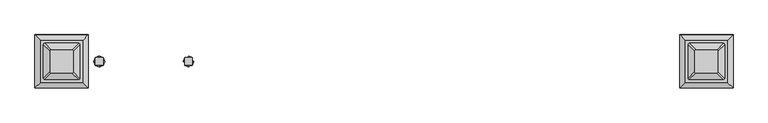
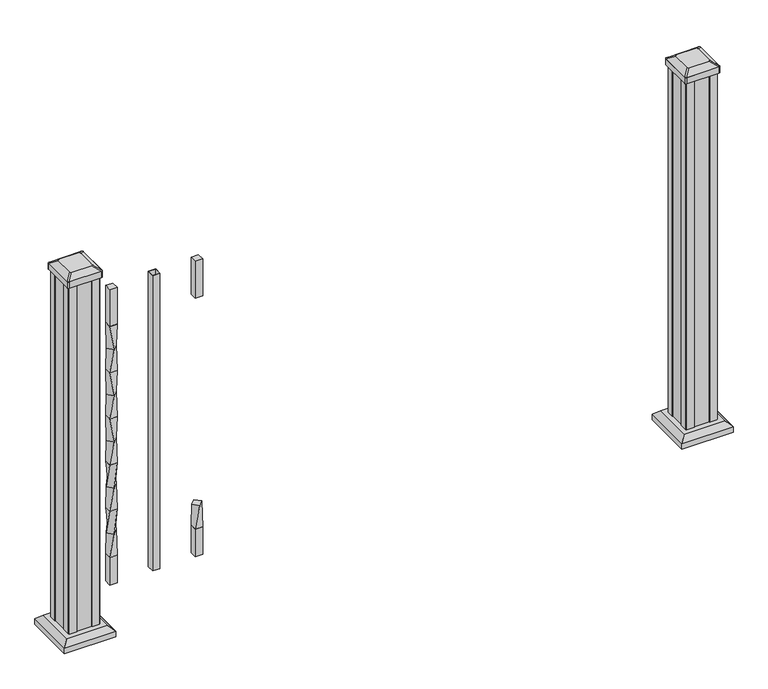
"""IFC4 building model written with IfcOpenShell, lengths in millimetres: railing geometry."""

from ifc_helpers import new_model, si_unit, point, frame, frame_2d, origin, origin_with_axes, place, context, project, spatial, polyline, circle_curve, trimmed, segment, composite_curve, outline, extrude, faceted_brep, source, transform, mapped, element, save
from ifc_brep_helpers import plane_surface, extruded_surface, spline_surface, advanced_brep


def railing_c5b9b82a(model_context):
    return source(origin(), model_context, "Body", "SolidModel", [
        advanced_brep(
        [(14406.6340044, -60563.4367982, 241.2958781), (14420.1043886, -60549.966414, 241.2958781), (14406.6340044, -60536.4960298, 241.2958781), (14393.1636203, -60549.966414, 241.2958781), (14397.1090044, -60559.491414, 177.7958781), (14397.1090044, -60540.441414, 177.7958781), (14416.1590044, -60540.441414, 177.7958781), (14416.1590044, -60559.491414, 177.7958781)],
        [
            (0, 1),
            (1, 2),
            (2, 3),
            (3, 0),
            (4, 5),
            (5, 6),
            (6, 7),
            (7, 4),
            (4, 0),
            (3, 5),
            (2, 6),
            (1, 7),
        ],
        [
            plane_surface(frame((14406.6340044, -60549.966414, 241.2958781), z_axis=(0.0, 0.0, 1.0), x_axis=(-0.7071067811865478, 0.7071067811865474, 0.0))),
            plane_surface(frame((14406.6340044, -60549.966414, 177.7958781), z_axis=(0.0, 0.0, -1.0), x_axis=(-0.7071067811865478, 0.7071067811865474, 0.0))),
            spline_surface(1, 1, [[(14397.1090044, -60559.491414, 177.7958781), (14397.1090044, -60540.441414, 177.7958781)], [(14406.6340044, -60563.4367982, 241.2958781), (14393.1636203, -60549.966414, 241.2958781)]], [2, 2], [2, 2], [0.0, 1.0], [0.0, 1.0]),
            spline_surface(1, 1, [[(14397.1090044, -60540.441414, 177.7958781), (14416.1590044, -60540.441414, 177.7958781)], [(14393.1636203, -60549.966414, 241.2958781), (14406.6340044, -60536.4960298, 241.2958781)]], [2, 2], [2, 2], [0.0, 1.0], [0.0, 1.0]),
            spline_surface(1, 1, [[(14416.1590044, -60540.441414, 177.7958781), (14416.1590044, -60559.491414, 177.7958781)], [(14406.6340044, -60536.4960298, 241.2958781), (14420.1043886, -60549.966414, 241.2958781)]], [2, 2], [2, 2], [0.0, 1.0], [0.0, 1.0]),
            spline_surface(1, 1, [[(14416.1590044, -60559.491414, 177.7958781), (14397.1090044, -60559.491414, 177.7958781)], [(14420.1043886, -60549.966414, 241.2958781), (14406.6340044, -60563.4367982, 241.2958781)]], [2, 2], [2, 2], [0.0, 1.0], [0.0, 1.0]),
        ],
        [
            (0, [[1, 2, 3, 4]]),
            (1, [[5, 6, 7, 8]]),
            (2, [[9, -4, 10, -5]]),
            (3, [[-10, -3, 11, -6]]),
            (4, [[-11, -2, 12, -7]]),
            (5, [[-12, -1, -9, -8]]),
        ],
    ),
        extrude(outline(polyline([(14397.1090044, -60559.491414), (14397.1090044, -60540.441414), (14416.1590044, -60540.441414), (14416.1590044, -60559.491414), (14397.1090044, -60559.491414)])), frame((0.0, 0.0, 812.7958781), z_axis=(0.0, 0.0, 1.0), x_axis=(1.0, 0.0, 0.0)), (0.0, 0.0, 1.0), 101.6041219),
        extrude(outline(polyline([(14397.1090044, -60559.491414), (14397.1090044, -60540.441414), (14416.1590044, -60540.441414), (14416.1590044, -60559.491414), (14397.1090044, -60559.491414)])), frame((0.0, 0.0, 101.5958781), z_axis=(0.0, 0.0, 1.0), x_axis=(1.0, 0.0, 0.0)), (0.0, 0.0, 1.0), 76.2),
        extrude(outline(polyline([(14285.8570044, -60559.491414), (14285.8570044, -60540.441414), (14304.9070044, -60540.441414), (14304.9070044, -60559.491414), (14285.8570044, -60559.491414)]), holes=[polyline([(14286.2538794, -60559.094539), (14304.5101294, -60559.094539), (14304.5101294, -60540.838289), (14286.2538794, -60540.838289), (14286.2538794, -60559.094539)])]), frame((0.0, 0.0, 101.5958781), z_axis=(0.0, 0.0, 1.0), x_axis=(1.0, 0.0, 0.0)), (0.0, 0.0, 1.0), 812.8041219),
        advanced_brep(
        [(14193.6550044, -60559.491414, 812.7958781), (14193.6550044, -60540.441414, 812.7958781), (14174.6050044, -60540.441414, 812.7958781), (14174.6050044, -60559.491414, 812.7958781), (14197.6003886, -60549.966414, 749.2958781), (14184.1300044, -60563.4367982, 749.2958781), (14170.6596203, -60549.966414, 749.2958781), (14184.1300044, -60536.4960298, 749.2958781)],
        [
            (0, 1),
            (1, 2),
            (2, 3),
            (3, 0),
            (4, 5),
            (5, 6),
            (6, 7),
            (7, 4),
            (4, 0),
            (3, 5),
            (2, 6),
            (1, 7),
        ],
        [
            plane_surface(frame((14184.1300044, -60549.966414, 812.7958781), z_axis=(0.0, 0.0, 1.0), x_axis=(0.0, 1.0, 0.0))),
            plane_surface(frame((14184.1300044, -60549.966414, 749.2958781), z_axis=(0.0, 0.0, -1.0), x_axis=(0.0, 1.0, 0.0))),
            spline_surface(1, 1, [[(14197.6003886, -60549.966414, 749.2958781), (14184.1300044, -60563.4367982, 749.2958781)], [(14193.6550044, -60559.491414, 812.7958781), (14174.6050044, -60559.491414, 812.7958781)]], [2, 2], [2, 2], [0.0, 1.0], [0.0, 1.0]),
            spline_surface(1, 1, [[(14184.1300044, -60563.4367982, 749.2958781), (14170.6596203, -60549.966414, 749.2958781)], [(14174.6050044, -60559.491414, 812.7958781), (14174.6050044, -60540.441414, 812.7958781)]], [2, 2], [2, 2], [0.0, 1.0], [0.0, 1.0]),
            spline_surface(1, 1, [[(14170.6596203, -60549.966414, 749.2958781), (14184.1300044, -60536.4960298, 749.2958781)], [(14174.6050044, -60540.441414, 812.7958781), (14193.6550044, -60540.441414, 812.7958781)]], [2, 2], [2, 2], [0.0, 1.0], [0.0, 1.0]),
            spline_surface(1, 1, [[(14184.1300044, -60536.4960298, 749.2958781), (14197.6003886, -60549.966414, 749.2958781)], [(14193.6550044, -60540.441414, 812.7958781), (14193.6550044, -60559.491414, 812.7958781)]], [2, 2], [2, 2], [0.0, 1.0], [0.0, 1.0]),
        ],
        [
            (0, [[1, 2, 3, 4]]),
            (1, [[5, 6, 7, 8]]),
            (2, [[9, -4, 10, -5]]),
            (3, [[-10, -3, 11, -6]]),
            (4, [[-11, -2, 12, -7]]),
            (5, [[-12, -1, -9, -8]]),
        ],
    ),
        advanced_brep(
        [(14184.1300044, -60563.4367982, 749.2958781), (14197.6003886, -60549.966414, 749.2958781), (14184.1300044, -60536.4960298, 749.2958781), (14170.6596203, -60549.966414, 749.2958781), (14174.6050044, -60559.491414, 685.7958781), (14174.6050044, -60540.441414, 685.7958781), (14193.6550044, -60540.441414, 685.7958781), (14193.6550044, -60559.491414, 685.7958781)],
        [
            (0, 1),
            (1, 2),
            (2, 3),
            (3, 0),
            (4, 5),
            (5, 6),
            (6, 7),
            (7, 4),
            (4, 0),
            (3, 5),
            (2, 6),
            (1, 7),
        ],
        [
            plane_surface(frame((14184.1300044, -60549.966414, 749.2958781), z_axis=(0.0, 0.0, 1.0), x_axis=(-0.7071067811865477, -0.7071067811865474, 0.0))),
            plane_surface(frame((14184.1300044, -60549.966414, 685.7958781), z_axis=(0.0, 0.0, -1.0), x_axis=(-0.7071067811865477, -0.7071067811865474, 0.0))),
            spline_surface(1, 1, [[(14174.6050044, -60559.491414, 685.7958781), (14174.6050044, -60540.441414, 685.7958781)], [(14184.1300044, -60563.4367982, 749.2958781), (14170.6596203, -60549.966414, 749.2958781)]], [2, 2], [2, 2], [0.0, 1.0], [0.0, 1.0]),
            spline_surface(1, 1, [[(14174.6050044, -60540.441414, 685.7958781), (14193.6550044, -60540.441414, 685.7958781)], [(14170.6596203, -60549.966414, 749.2958781), (14184.1300044, -60536.4960298, 749.2958781)]], [2, 2], [2, 2], [0.0, 1.0], [0.0, 1.0]),
            spline_surface(1, 1, [[(14193.6550044, -60540.441414, 685.7958781), (14193.6550044, -60559.491414, 685.7958781)], [(14184.1300044, -60536.4960298, 749.2958781), (14197.6003886, -60549.966414, 749.2958781)]], [2, 2], [2, 2], [0.0, 1.0], [0.0, 1.0]),
            spline_surface(1, 1, [[(14193.6550044, -60559.491414, 685.7958781), (14174.6050044, -60559.491414, 685.7958781)], [(14197.6003886, -60549.966414, 749.2958781), (14184.1300044, -60563.4367982, 749.2958781)]], [2, 2], [2, 2], [0.0, 1.0], [0.0, 1.0]),
        ],
        [
            (0, [[1, 2, 3, 4]]),
            (1, [[5, 6, 7, 8]]),
            (2, [[9, -4, 10, -5]]),
            (3, [[-10, -3, 11, -6]]),
            (4, [[-11, -2, 12, -7]]),
            (5, [[-12, -1, -9, -8]]),
        ],
    ),
        advanced_brep(
        [(14193.6550044, -60559.491414, 685.7958781), (14193.6550044, -60540.441414, 685.7958781), (14174.6050044, -60540.441414, 685.7958781), (14174.6050044, -60559.491414, 685.7958781), (14197.6003886, -60549.966414, 622.2958781), (14184.1300044, -60563.4367982, 622.2958781), (14170.6596203, -60549.966414, 622.2958781), (14184.1300044, -60536.4960298, 622.2958781)],
        [
            (0, 1),
            (1, 2),
            (2, 3),
            (3, 0),
            (4, 5),
            (5, 6),
            (6, 7),
            (7, 4),
            (4, 0),
            (3, 5),
            (2, 6),
            (1, 7),
        ],
        [
            plane_surface(frame((14184.1300044, -60549.966414, 685.7958781), z_axis=(0.0, 0.0, 1.0), x_axis=(0.0, 1.0, 0.0))),
            plane_surface(frame((14184.1300044, -60549.966414, 622.2958781), z_axis=(0.0, 0.0, -1.0), x_axis=(0.0, 1.0, 0.0))),
            spline_surface(1, 1, [[(14197.6003886, -60549.966414, 622.2958781), (14184.1300044, -60563.4367982, 622.2958781)], [(14193.6550044, -60559.491414, 685.7958781), (14174.6050044, -60559.491414, 685.7958781)]], [2, 2], [2, 2], [0.0, 1.0], [0.0, 1.0]),
            spline_surface(1, 1, [[(14184.1300044, -60563.4367982, 622.2958781), (14170.6596203, -60549.966414, 622.2958781)], [(14174.6050044, -60559.491414, 685.7958781), (14174.6050044, -60540.441414, 685.7958781)]], [2, 2], [2, 2], [0.0, 1.0], [0.0, 1.0]),
            spline_surface(1, 1, [[(14170.6596203, -60549.966414, 622.2958781), (14184.1300044, -60536.4960298, 622.2958781)], [(14174.6050044, -60540.441414, 685.7958781), (14193.6550044, -60540.441414, 685.7958781)]], [2, 2], [2, 2], [0.0, 1.0], [0.0, 1.0]),
            spline_surface(1, 1, [[(14184.1300044, -60536.4960298, 622.2958781), (14197.6003886, -60549.966414, 622.2958781)], [(14193.6550044, -60540.441414, 685.7958781), (14193.6550044, -60559.491414, 685.7958781)]], [2, 2], [2, 2], [0.0, 1.0], [0.0, 1.0]),
        ],
        [
            (0, [[1, 2, 3, 4]]),
            (1, [[5, 6, 7, 8]]),
            (2, [[9, -4, 10, -5]]),
            (3, [[-10, -3, 11, -6]]),
            (4, [[-11, -2, 12, -7]]),
            (5, [[-12, -1, -9, -8]]),
        ],
    ),
        advanced_brep(
        [(14184.1300044, -60563.4367982, 622.2958781), (14197.6003886, -60549.966414, 622.2958781), (14184.1300044, -60536.4960298, 622.2958781), (14170.6596203, -60549.966414, 622.2958781), (14174.6050044, -60559.491414, 558.7958781), (14174.6050044, -60540.441414, 558.7958781), (14193.6550044, -60540.441414, 558.7958781), (14193.6550044, -60559.491414, 558.7958781)],
        [
            (0, 1),
            (1, 2),
            (2, 3),
            (3, 0),
            (4, 5),
            (5, 6),
            (6, 7),
            (7, 4),
            (4, 0),
            (3, 5),
            (2, 6),
            (1, 7),
        ],
        [
            plane_surface(frame((14184.1300044, -60549.966414, 622.2958781), z_axis=(0.0, 0.0, 1.0), x_axis=(-0.7071067811865477, -0.7071067811865475, 0.0))),
            plane_surface(frame((14184.1300044, -60549.966414, 558.7958781), z_axis=(0.0, 0.0, -1.0), x_axis=(-0.7071067811865477, -0.7071067811865475, 0.0))),
            spline_surface(1, 1, [[(14174.6050044, -60559.491414, 558.7958781), (14174.6050044, -60540.441414, 558.7958781)], [(14184.1300044, -60563.4367982, 622.2958781), (14170.6596203, -60549.966414, 622.2958781)]], [2, 2], [2, 2], [0.0, 1.0], [0.0, 1.0]),
            spline_surface(1, 1, [[(14174.6050044, -60540.441414, 558.7958781), (14193.6550044, -60540.441414, 558.7958781)], [(14170.6596203, -60549.966414, 622.2958781), (14184.1300044, -60536.4960298, 622.2958781)]], [2, 2], [2, 2], [0.0, 1.0], [0.0, 1.0]),
            spline_surface(1, 1, [[(14193.6550044, -60540.441414, 558.7958781), (14193.6550044, -60559.491414, 558.7958781)], [(14184.1300044, -60536.4960298, 622.2958781), (14197.6003886, -60549.966414, 622.2958781)]], [2, 2], [2, 2], [0.0, 1.0], [0.0, 1.0]),
            spline_surface(1, 1, [[(14193.6550044, -60559.491414, 558.7958781), (14174.6050044, -60559.491414, 558.7958781)], [(14197.6003886, -60549.966414, 622.2958781), (14184.1300044, -60563.4367982, 622.2958781)]], [2, 2], [2, 2], [0.0, 1.0], [0.0, 1.0]),
        ],
        [
            (0, [[1, 2, 3, 4]]),
            (1, [[5, 6, 7, 8]]),
            (2, [[9, -4, 10, -5]]),
            (3, [[-10, -3, 11, -6]]),
            (4, [[-11, -2, 12, -7]]),
            (5, [[-12, -1, -9, -8]]),
        ],
    ),
        advanced_brep(
        [(14193.6550044, -60559.491414, 558.7958781), (14193.6550044, -60540.441414, 558.7958781), (14174.6050044, -60540.441414, 558.7958781), (14174.6050044, -60559.491414, 558.7958781), (14197.6003886, -60549.966414, 495.2958781), (14184.1300044, -60563.4367982, 495.2958781), (14170.6596203, -60549.966414, 495.2958781), (14184.1300044, -60536.4960298, 495.2958781)],
        [
            (0, 1),
            (1, 2),
            (2, 3),
            (3, 0),
            (4, 5),
            (5, 6),
            (6, 7),
            (7, 4),
            (4, 0),
            (3, 5),
            (2, 6),
            (1, 7),
        ],
        [
            plane_surface(frame((14184.1300044, -60549.966414, 558.7958781), z_axis=(0.0, 0.0, 1.0), x_axis=(0.0, 1.0, 0.0))),
            plane_surface(frame((14184.1300044, -60549.966414, 495.2958781), z_axis=(0.0, 0.0, -1.0), x_axis=(0.0, 1.0, 0.0))),
            spline_surface(1, 1, [[(14197.6003886, -60549.966414, 495.2958781), (14184.1300044, -60563.4367982, 495.2958781)], [(14193.6550044, -60559.491414, 558.7958781), (14174.6050044, -60559.491414, 558.7958781)]], [2, 2], [2, 2], [0.0, 1.0], [0.0, 1.0]),
            spline_surface(1, 1, [[(14184.1300044, -60563.4367982, 495.2958781), (14170.6596203, -60549.966414, 495.2958781)], [(14174.6050044, -60559.491414, 558.7958781), (14174.6050044, -60540.441414, 558.7958781)]], [2, 2], [2, 2], [0.0, 1.0], [0.0, 1.0]),
            spline_surface(1, 1, [[(14170.6596203, -60549.966414, 495.2958781), (14184.1300044, -60536.4960298, 495.2958781)], [(14174.6050044, -60540.441414, 558.7958781), (14193.6550044, -60540.441414, 558.7958781)]], [2, 2], [2, 2], [0.0, 1.0], [0.0, 1.0]),
            spline_surface(1, 1, [[(14184.1300044, -60536.4960298, 495.2958781), (14197.6003886, -60549.966414, 495.2958781)], [(14193.6550044, -60540.441414, 558.7958781), (14193.6550044, -60559.491414, 558.7958781)]], [2, 2], [2, 2], [0.0, 1.0], [0.0, 1.0]),
        ],
        [
            (0, [[1, 2, 3, 4]]),
            (1, [[5, 6, 7, 8]]),
            (2, [[9, -4, 10, -5]]),
            (3, [[-10, -3, 11, -6]]),
            (4, [[-11, -2, 12, -7]]),
            (5, [[-12, -1, -9, -8]]),
        ],
    ),
        advanced_brep(
        [(14184.1300044, -60563.4367982, 495.2958781), (14197.6003886, -60549.966414, 495.2958781), (14184.1300044, -60536.4960298, 495.2958781), (14170.6596203, -60549.966414, 495.2958781), (14174.6050044, -60559.491414, 431.7958781), (14174.6050044, -60540.441414, 431.7958781), (14193.6550044, -60540.441414, 431.7958781), (14193.6550044, -60559.491414, 431.7958781)],
        [
            (0, 1),
            (1, 2),
            (2, 3),
            (3, 0),
            (4, 5),
            (5, 6),
            (6, 7),
            (7, 4),
            (4, 0),
            (3, 5),
            (2, 6),
            (1, 7),
        ],
        [
            plane_surface(frame((14184.1300044, -60549.966414, 495.2958781), z_axis=(0.0, 0.0, 1.0), x_axis=(-0.7071067811865477, -0.7071067811865474, 0.0))),
            plane_surface(frame((14184.1300044, -60549.966414, 431.7958781), z_axis=(0.0, 0.0, -1.0), x_axis=(-0.7071067811865477, -0.7071067811865474, 0.0))),
            spline_surface(1, 1, [[(14174.6050044, -60559.491414, 431.7958781), (14174.6050044, -60540.441414, 431.7958781)], [(14184.1300044, -60563.4367982, 495.2958781), (14170.6596203, -60549.966414, 495.2958781)]], [2, 2], [2, 2], [0.0, 1.0], [0.0, 1.0]),
            spline_surface(1, 1, [[(14174.6050044, -60540.441414, 431.7958781), (14193.6550044, -60540.441414, 431.7958781)], [(14170.6596203, -60549.966414, 495.2958781), (14184.1300044, -60536.4960298, 495.2958781)]], [2, 2], [2, 2], [0.0, 1.0], [0.0, 1.0]),
            spline_surface(1, 1, [[(14193.6550044, -60540.441414, 431.7958781), (14193.6550044, -60559.491414, 431.7958781)], [(14184.1300044, -60536.4960298, 495.2958781), (14197.6003886, -60549.966414, 495.2958781)]], [2, 2], [2, 2], [0.0, 1.0], [0.0, 1.0]),
            spline_surface(1, 1, [[(14193.6550044, -60559.491414, 431.7958781), (14174.6050044, -60559.491414, 431.7958781)], [(14197.6003886, -60549.966414, 495.2958781), (14184.1300044, -60563.4367982, 495.2958781)]], [2, 2], [2, 2], [0.0, 1.0], [0.0, 1.0]),
        ],
        [
            (0, [[1, 2, 3, 4]]),
            (1, [[5, 6, 7, 8]]),
            (2, [[9, -4, 10, -5]]),
            (3, [[-10, -3, 11, -6]]),
            (4, [[-11, -2, 12, -7]]),
            (5, [[-12, -1, -9, -8]]),
        ],
    ),
        advanced_brep(
        [(14174.6050044, -60559.491414, 431.7958781), (14193.6550044, -60559.491414, 431.7958781), (14193.6550044, -60540.441414, 431.7958781), (14174.6050044, -60540.441414, 431.7958781), (14170.6596203, -60549.966414, 368.2958781), (14184.1300044, -60536.4960298, 368.2958781), (14197.6003886, -60549.966414, 368.2958781), (14184.1300044, -60563.4367982, 368.2958781)],
        [
            (0, 1),
            (1, 2),
            (2, 3),
            (3, 0),
            (4, 5),
            (5, 6),
            (6, 7),
            (7, 4),
            (4, 0),
            (3, 5),
            (2, 6),
            (1, 7),
        ],
        [
            plane_surface(frame((14184.1300044, -60549.966414, 431.7958781), z_axis=(0.0, 0.0, 1.0), x_axis=(0.0, 1.0, 0.0))),
            plane_surface(frame((14184.1300044, -60549.966414, 368.2958781), z_axis=(0.0, 0.0, -1.0), x_axis=(0.0, 1.0, 0.0))),
            spline_surface(1, 1, [[(14170.6596203, -60549.966414, 368.2958781), (14184.1300044, -60536.4960298, 368.2958781)], [(14174.6050044, -60559.491414, 431.7958781), (14174.6050044, -60540.441414, 431.7958781)]], [2, 2], [2, 2], [0.0, 1.0], [0.0, 1.0]),
            spline_surface(1, 1, [[(14184.1300044, -60536.4960298, 368.2958781), (14197.6003886, -60549.966414, 368.2958781)], [(14174.6050044, -60540.441414, 431.7958781), (14193.6550044, -60540.441414, 431.7958781)]], [2, 2], [2, 2], [0.0, 1.0], [0.0, 1.0]),
            spline_surface(1, 1, [[(14197.6003886, -60549.966414, 368.2958781), (14184.1300044, -60563.4367982, 368.2958781)], [(14193.6550044, -60540.441414, 431.7958781), (14193.6550044, -60559.491414, 431.7958781)]], [2, 2], [2, 2], [0.0, 1.0], [0.0, 1.0]),
            spline_surface(1, 1, [[(14184.1300044, -60563.4367982, 368.2958781), (14170.6596203, -60549.966414, 368.2958781)], [(14193.6550044, -60559.491414, 431.7958781), (14174.6050044, -60559.491414, 431.7958781)]], [2, 2], [2, 2], [0.0, 1.0], [0.0, 1.0]),
        ],
        [
            (0, [[1, 2, 3, 4]]),
            (1, [[5, 6, 7, 8]]),
            (2, [[9, -4, 10, -5]]),
            (3, [[-10, -3, 11, -6]]),
            (4, [[-11, -2, 12, -7]]),
            (5, [[-12, -1, -9, -8]]),
        ],
    ),
        advanced_brep(
        [(14184.1300044, -60563.4367982, 368.2958781), (14197.6003886, -60549.966414, 368.2958781), (14184.1300044, -60536.4960298, 368.2958781), (14170.6596203, -60549.966414, 368.2958781), (14174.6050044, -60559.491414, 304.7958781), (14174.6050044, -60540.441414, 304.7958781), (14193.6550044, -60540.441414, 304.7958781), (14193.6550044, -60559.491414, 304.7958781)],
        [
            (0, 1),
            (1, 2),
            (2, 3),
            (3, 0),
            (4, 5),
            (5, 6),
            (6, 7),
            (7, 4),
            (4, 0),
            (3, 5),
            (2, 6),
            (1, 7),
        ],
        [
            plane_surface(frame((14184.1300044, -60549.966414, 368.2958781), z_axis=(0.0, 0.0, 1.0), x_axis=(-0.7071067811865477, -0.7071067811865475, 0.0))),
            plane_surface(frame((14184.1300044, -60549.966414, 304.7958781), z_axis=(0.0, 0.0, -1.0), x_axis=(-0.7071067811865477, -0.7071067811865475, 0.0))),
            spline_surface(1, 1, [[(14174.6050044, -60559.491414, 304.7958781), (14174.6050044, -60540.441414, 304.7958781)], [(14184.1300044, -60563.4367982, 368.2958781), (14170.6596203, -60549.966414, 368.2958781)]], [2, 2], [2, 2], [0.0, 1.0], [0.0, 1.0]),
            spline_surface(1, 1, [[(14174.6050044, -60540.441414, 304.7958781), (14193.6550044, -60540.441414, 304.7958781)], [(14170.6596203, -60549.966414, 368.2958781), (14184.1300044, -60536.4960298, 368.2958781)]], [2, 2], [2, 2], [0.0, 1.0], [0.0, 1.0]),
            spline_surface(1, 1, [[(14193.6550044, -60540.441414, 304.7958781), (14193.6550044, -60559.491414, 304.7958781)], [(14184.1300044, -60536.4960298, 368.2958781), (14197.6003886, -60549.966414, 368.2958781)]], [2, 2], [2, 2], [0.0, 1.0], [0.0, 1.0]),
            spline_surface(1, 1, [[(14193.6550044, -60559.491414, 304.7958781), (14174.6050044, -60559.491414, 304.7958781)], [(14197.6003886, -60549.966414, 368.2958781), (14184.1300044, -60563.4367982, 368.2958781)]], [2, 2], [2, 2], [0.0, 1.0], [0.0, 1.0]),
        ],
        [
            (0, [[1, 2, 3, 4]]),
            (1, [[5, 6, 7, 8]]),
            (2, [[9, -4, 10, -5]]),
            (3, [[-10, -3, 11, -6]]),
            (4, [[-11, -2, 12, -7]]),
            (5, [[-12, -1, -9, -8]]),
        ],
    ),
        advanced_brep(
        [(14174.6050044, -60559.491414, 304.7958781), (14193.6550044, -60559.491414, 304.7958781), (14193.6550044, -60540.441414, 304.7958781), (14174.6050044, -60540.441414, 304.7958781), (14170.6596203, -60549.966414, 241.2958781), (14184.1300044, -60536.4960298, 241.2958781), (14197.6003886, -60549.966414, 241.2958781), (14184.1300044, -60563.4367982, 241.2958781)],
        [
            (0, 1),
            (1, 2),
            (2, 3),
            (3, 0),
            (4, 5),
            (5, 6),
            (6, 7),
            (7, 4),
            (4, 0),
            (3, 5),
            (2, 6),
            (1, 7),
        ],
        [
            plane_surface(frame((14184.1300044, -60549.966414, 304.7958781), z_axis=(0.0, 0.0, 1.0), x_axis=(0.0, 1.0, 0.0))),
            plane_surface(frame((14184.1300044, -60549.966414, 241.2958781), z_axis=(0.0, 0.0, -1.0), x_axis=(0.0, 1.0, 0.0))),
            spline_surface(1, 1, [[(14170.6596203, -60549.966414, 241.2958781), (14184.1300044, -60536.4960298, 241.2958781)], [(14174.6050044, -60559.491414, 304.7958781), (14174.6050044, -60540.441414, 304.7958781)]], [2, 2], [2, 2], [0.0, 1.0], [0.0, 1.0]),
            spline_surface(1, 1, [[(14184.1300044, -60536.4960298, 241.2958781), (14197.6003886, -60549.966414, 241.2958781)], [(14174.6050044, -60540.441414, 304.7958781), (14193.6550044, -60540.441414, 304.7958781)]], [2, 2], [2, 2], [0.0, 1.0], [0.0, 1.0]),
            spline_surface(1, 1, [[(14197.6003886, -60549.966414, 241.2958781), (14184.1300044, -60563.4367982, 241.2958781)], [(14193.6550044, -60540.441414, 304.7958781), (14193.6550044, -60559.491414, 304.7958781)]], [2, 2], [2, 2], [0.0, 1.0], [0.0, 1.0]),
            spline_surface(1, 1, [[(14184.1300044, -60563.4367982, 241.2958781), (14170.6596203, -60549.966414, 241.2958781)], [(14193.6550044, -60559.491414, 304.7958781), (14174.6050044, -60559.491414, 304.7958781)]], [2, 2], [2, 2], [0.0, 1.0], [0.0, 1.0]),
        ],
        [
            (0, [[1, 2, 3, 4]]),
            (1, [[5, 6, 7, 8]]),
            (2, [[9, -4, 10, -5]]),
            (3, [[-10, -3, 11, -6]]),
            (4, [[-11, -2, 12, -7]]),
            (5, [[-12, -1, -9, -8]]),
        ],
    ),
        advanced_brep(
        [(14184.1300044, -60563.4367982, 241.2958781), (14197.6003886, -60549.966414, 241.2958781), (14184.1300044, -60536.4960298, 241.2958781), (14170.6596203, -60549.966414, 241.2958781), (14174.6050044, -60559.491414, 177.7958781), (14174.6050044, -60540.441414, 177.7958781), (14193.6550044, -60540.441414, 177.7958781), (14193.6550044, -60559.491414, 177.7958781)],
        [
            (0, 1),
            (1, 2),
            (2, 3),
            (3, 0),
            (4, 5),
            (5, 6),
            (6, 7),
            (7, 4),
            (4, 0),
            (3, 5),
            (2, 6),
            (1, 7),
        ],
        [
            plane_surface(frame((14184.1300044, -60549.966414, 241.2958781), z_axis=(0.0, 0.0, 1.0), x_axis=(-0.7071067811865478, 0.7071067811865474, 0.0))),
            plane_surface(frame((14184.1300044, -60549.966414, 177.7958781), z_axis=(0.0, 0.0, -1.0), x_axis=(-0.7071067811865478, 0.7071067811865474, 0.0))),
            spline_surface(1, 1, [[(14174.6050044, -60559.491414, 177.7958781), (14174.6050044, -60540.441414, 177.7958781)], [(14184.1300044, -60563.4367982, 241.2958781), (14170.6596203, -60549.966414, 241.2958781)]], [2, 2], [2, 2], [0.0, 1.0], [0.0, 1.0]),
            spline_surface(1, 1, [[(14174.6050044, -60540.441414, 177.7958781), (14193.6550044, -60540.441414, 177.7958781)], [(14170.6596203, -60549.966414, 241.2958781), (14184.1300044, -60536.4960298, 241.2958781)]], [2, 2], [2, 2], [0.0, 1.0], [0.0, 1.0]),
            spline_surface(1, 1, [[(14193.6550044, -60540.441414, 177.7958781), (14193.6550044, -60559.491414, 177.7958781)], [(14184.1300044, -60536.4960298, 241.2958781), (14197.6003886, -60549.966414, 241.2958781)]], [2, 2], [2, 2], [0.0, 1.0], [0.0, 1.0]),
            spline_surface(1, 1, [[(14193.6550044, -60559.491414, 177.7958781), (14174.6050044, -60559.491414, 177.7958781)], [(14197.6003886, -60549.966414, 241.2958781), (14184.1300044, -60563.4367982, 241.2958781)]], [2, 2], [2, 2], [0.0, 1.0], [0.0, 1.0]),
        ],
        [
            (0, [[1, 2, 3, 4]]),
            (1, [[5, 6, 7, 8]]),
            (2, [[9, -4, 10, -5]]),
            (3, [[-10, -3, 11, -6]]),
            (4, [[-11, -2, 12, -7]]),
            (5, [[-12, -1, -9, -8]]),
        ],
    ),
        extrude(outline(polyline([(14174.6050044, -60559.491414), (14174.6050044, -60540.441414), (14193.6550044, -60540.441414), (14193.6550044, -60559.491414), (14174.6050044, -60559.491414)])), frame((0.0, 0.0, 812.7958781), z_axis=(0.0, 0.0, 1.0), x_axis=(1.0, 0.0, 0.0)), (0.0, 0.0, 1.0), 101.6041219),
        extrude(outline(polyline([(14174.6050044, -60559.491414), (14174.6050044, -60540.441414), (14193.6550044, -60540.441414), (14193.6550044, -60559.491414), (14174.6050044, -60559.491414)])), frame((0.0, 0.0, 101.5958781), z_axis=(0.0, 0.0, 1.0), x_axis=(1.0, 0.0, 0.0)), (0.0, 0.0, 1.0), 76.2),
        faceted_brep([(15644.6220669, -60602.5523515, 28.575), (15749.7939419, -60602.5523515, 28.575), (15749.7939419, -60497.3804765, 28.575), (15644.6220669, -60497.3804765, 28.575), (15630.5826138, -60616.5918046, 15.24), (15630.5826138, -60483.3410234, 15.24), (15763.8333951, -60483.3410234, 15.24), (15763.8333951, -60616.5918046, 15.24)], [[[0, 1, 2, 3]], [[4, 5, 6, 7]], [[4, 0, 3, 5]], [[5, 3, 2, 6]], [[6, 2, 1, 7]], [[7, 1, 0, 4]]]),
        extrude(outline(polyline([(15630.5826138, -60616.5918046), (15630.5826138, -60483.3410234), (15763.8333951, -60483.3410234), (15763.8333951, -60616.5918046), (15630.5826138, -60616.5918046)])), origin_with_axes(), (0.0, 0.0, 1.0), 15.24),
        advanced_brep(
        [(15668.2361294, -60524.169539, 1012.825), (15668.2361294, -60575.763289, 1012.825), (15671.4111294, -60578.938289, 1012.825), (15723.0048794, -60578.938289, 1012.825), (15726.1798794, -60575.763289, 1012.825), (15726.1798794, -60524.169539, 1012.825), (15723.0048794, -60520.994539, 1012.825), (15671.4111294, -60520.994539, 1012.825), (15651.9642544, -60507.897664, 1001.522), (15655.1392544, -60504.722664, 1001.522), (15739.2767544, -60504.722664, 1001.522), (15742.4517544, -60507.897664, 1001.522), (15742.4517544, -60592.035164, 1001.522), (15739.2767544, -60595.210164, 1001.522), (15655.1392544, -60595.210164, 1001.522), (15651.9642544, -60592.035164, 1001.522)],
        [
            (0, 1),
            (1, 2, circle_curve(frame((15671.4111294, -60575.763289, 1012.825), z_axis=(0.0, 0.0, 1.0), x_axis=(1.0, 0.0, 0.0)), 3.175)),
            (2, 3),
            (3, 4, circle_curve(frame((15723.0048794, -60575.763289, 1012.825), z_axis=(0.0, 0.0, 1.0), x_axis=(1.0, 0.0, 0.0)), 3.175)),
            (4, 5),
            (5, 6, circle_curve(frame((15723.0048794, -60524.169539, 1012.825), z_axis=(0.0, 0.0, 1.0), x_axis=(1.0, 0.0, 0.0)), 3.175)),
            (6, 7),
            (7, 0, circle_curve(frame((15671.4111294, -60524.169539, 1012.825), z_axis=(0.0, 0.0, 1.0), x_axis=(1.0, 0.0, 0.0)), 3.175)),
            (8, 9, circle_curve(frame((15655.1392544, -60507.897664, 1001.522), z_axis=(0.0, 0.0, -1.0), x_axis=(1.0, 0.0, 0.0)), 3.175)),
            (9, 10),
            (10, 11, circle_curve(frame((15739.2767544, -60507.897664, 1001.522), z_axis=(0.0, 0.0, -1.0), x_axis=(1.0, 0.0, 0.0)), 3.175)),
            (11, 12),
            (12, 13, circle_curve(frame((15739.2767544, -60592.035164, 1001.522), z_axis=(0.0, 0.0, -1.0), x_axis=(1.0, 0.0, 0.0)), 3.175)),
            (13, 14),
            (14, 15, circle_curve(frame((15655.1392544, -60592.035164, 1001.522), z_axis=(0.0, 0.0, -1.0), x_axis=(1.0, 0.0, 0.0)), 3.175)),
            (15, 8),
            (8, 0),
            (7, 9),
            (6, 10),
            (5, 11),
            (4, 12),
            (3, 13),
            (2, 14),
            (1, 15),
        ],
        [
            plane_surface(frame((15697.2080044, -60549.966414, 1012.825), z_axis=(0.0, 0.0, 1.0), x_axis=(0.0, 1.0, 0.0))),
            plane_surface(frame((15697.2080044, -60549.966414, 1001.522), z_axis=(0.0, 0.0, -1.0), x_axis=(0.0, 1.0, 0.0))),
            extruded_surface(trimmed(circle_curve(frame((15671.4111294, -60524.169539, 1012.825), z_axis=(0.0, 0.0, -1.0), x_axis=(1.0, 0.0, 0.0)), 3.175), [point((15668.2361294, -60524.169539, 1012.825))], [point((15671.4111294, -60520.994539, 1012.825))], True, "CARTESIAN"), (-16.271875000000364, 16.27187500000582, -11.302999999999997), 25.637972638870085),
            plane_surface(frame((15697.2080044, -60504.722664, 1001.522), z_axis=(0.0, 0.5705009161540779, 0.8212969649690408), x_axis=(1.0, 0.0, 0.0))),
            extruded_surface(trimmed(circle_curve(frame((15723.0048794, -60524.169539, 1012.825), z_axis=(0.0, 0.0, -1.0), x_axis=(1.0, 0.0, 0.0)), 3.175), [point((15723.0048794, -60520.994539, 1012.825))], [point((15726.1798794, -60524.169539, 1012.825))], True, "CARTESIAN"), (16.271875000000364, 16.27187500000582, -11.302999999999997), 25.637972638870085),
            plane_surface(frame((15742.4517544, -60549.966414, 1001.522), z_axis=(0.5705009161540291, 0.0, 0.8212969649690747), x_axis=(0.0, -1.0, 0.0))),
            extruded_surface(trimmed(circle_curve(frame((15723.0048794, -60575.763289, 1012.825), z_axis=(0.0, 0.0, -1.0), x_axis=(1.0, 0.0, 0.0)), 3.175), [point((15726.1798794, -60575.763289, 1012.825))], [point((15723.0048794, -60578.938289, 1012.825))], True, "CARTESIAN"), (16.271875000000364, -16.271874999998545, -11.302999999999997), 25.637972638865467),
            plane_surface(frame((15697.2080044, -60595.210164, 1001.522), z_axis=(0.0, -0.5705009161540141, 0.8212969649690851), x_axis=(-1.0, 0.0, 0.0))),
            extruded_surface(trimmed(circle_curve(frame((15671.4111294, -60575.763289, 1012.825), z_axis=(0.0, 0.0, -1.0), x_axis=(1.0, 0.0, 0.0)), 3.175), [point((15671.4111294, -60578.938289, 1012.825))], [point((15668.2361294, -60575.763289, 1012.825))], True, "CARTESIAN"), (-16.271875000000364, -16.271874999998545, -11.302999999999997), 25.637972638865467),
            plane_surface(frame((15651.9642544, -60549.966414, 1001.522), z_axis=(-0.570500916154034, 0.0, 0.8212969649690713), x_axis=(0.0, 1.0, 0.0))),
        ],
        [
            (0, [[1, 2, 3, 4, 5, 6, 7, 8]]),
            (1, [[9, 10, 11, 12, 13, 14, 15, 16]]),
            (2, [[17, -8, 18, -9]]),
            (3, [[-18, -7, 19, -10]]),
            (4, [[-19, -6, 20, -11]]),
            (5, [[-20, -5, 21, -12]]),
            (6, [[-21, -4, 22, -13]]),
            (7, [[-22, -3, 23, -14]]),
            (8, [[-23, -2, 24, -15]]),
            (9, [[-24, -1, -17, -16]]),
        ],
    ),
        extrude(outline(composite_curve([segment(trimmed(circle_curve(frame_2d((15655.1392544, -60507.897664)), 3.175), [point((15651.9642544, -60507.897664))], [point((15655.1392544, -60504.722664))], False, "CARTESIAN"), True, "CONTINUOUS"), segment(polyline([(15655.1392544, -60504.722664), (15739.2767544, -60504.722664)]), True, "CONTINUOUS"), segment(trimmed(circle_curve(frame_2d((15739.2767544, -60507.897664)), 3.175), [point((15739.2767544, -60504.722664))], [point((15742.4517544, -60507.897664))], False, "CARTESIAN"), True, "CONTINUOUS"), segment(polyline([(15742.4517544, -60507.897664), (15742.4517544, -60592.035164)]), True, "CONTINUOUS"), segment(trimmed(circle_curve(frame_2d((15739.2767544, -60592.035164)), 3.175), [point((15742.4517544, -60592.035164))], [point((15739.2767544, -60595.210164))], False, "CARTESIAN"), True, "CONTINUOUS"), segment(polyline([(15739.2767544, -60595.210164), (15655.1392544, -60595.210164)]), True, "CONTINUOUS"), segment(trimmed(circle_curve(frame_2d((15655.1392544, -60592.035164)), 3.175), [point((15655.1392544, -60595.210164))], [point((15651.9642544, -60592.035164))], False, "CARTESIAN"), True, "CONTINUOUS"), segment(polyline([(15651.9642544, -60592.035164), (15651.9642544, -60507.897664)]), True, "CONTINUOUS")], self_intersect=False)), frame((0.0, 0.0, 984.25), z_axis=(0.0, 0.0, 1.0), x_axis=(1.0, 0.0, 0.0)), (0.0, 0.0, 1.0), 17.272),
        extrude(outline(polyline([(15655.9330044, -60510.278914), (15657.5205044, -60508.691414), (15677.1420044, -60508.691414), (15677.9040044, -60510.278914), (15716.5120044, -60510.278914), (15717.2740044, -60508.691414), (15736.8955044, -60508.691414), (15738.4830044, -60510.278914), (15738.4830044, -60529.900414), (15736.8955044, -60530.662414), (15736.8955044, -60569.270414), (15738.4830044, -60570.032414), (15738.4830044, -60589.653914), (15736.8955044, -60591.241414), (15717.2740044, -60591.241414), (15716.5120044, -60589.653914), (15677.9040044, -60589.653914), (15677.1420044, -60591.241414), (15657.5205044, -60591.241414), (15655.9330044, -60589.653914), (15655.9330044, -60570.032414), (15657.5205044, -60569.270414), (15657.5205044, -60530.662414), (15655.9330044, -60529.900414), (15655.9330044, -60510.278914)])), origin_with_axes(), (0.0, 0.0, 1.0), 984.25),
        faceted_brep([(14037.8180669, -60602.5523515, 28.575), (14142.9899419, -60602.5523515, 28.575), (14142.9899419, -60497.3804765, 28.575), (14037.8180669, -60497.3804765, 28.575), (14023.7786138, -60616.5918046, 15.24), (14023.7786138, -60483.3410234, 15.24), (14157.0293951, -60483.3410234, 15.24), (14157.0293951, -60616.5918046, 15.24)], [[[0, 1, 2, 3]], [[4, 5, 6, 7]], [[4, 0, 3, 5]], [[5, 3, 2, 6]], [[6, 2, 1, 7]], [[7, 1, 0, 4]]]),
        extrude(outline(polyline([(14023.7786138, -60616.5918046), (14023.7786138, -60483.3410234), (14157.0293951, -60483.3410234), (14157.0293951, -60616.5918046), (14023.7786138, -60616.5918046)])), origin_with_axes(), (0.0, 0.0, 1.0), 15.24),
        advanced_brep(
        [(14061.4321294, -60524.169539, 1012.825), (14061.4321294, -60575.763289, 1012.825), (14064.6071294, -60578.938289, 1012.825), (14116.2008794, -60578.938289, 1012.825), (14119.3758794, -60575.763289, 1012.825), (14119.3758794, -60524.169539, 1012.825), (14116.2008794, -60520.994539, 1012.825), (14064.6071294, -60520.994539, 1012.825), (14045.1602544, -60507.897664, 1001.522), (14048.3352544, -60504.722664, 1001.522), (14132.4727544, -60504.722664, 1001.522), (14135.6477544, -60507.897664, 1001.522), (14135.6477544, -60592.035164, 1001.522), (14132.4727544, -60595.210164, 1001.522), (14048.3352544, -60595.210164, 1001.522), (14045.1602544, -60592.035164, 1001.522)],
        [
            (0, 1),
            (1, 2, circle_curve(frame((14064.6071294, -60575.763289, 1012.825), z_axis=(0.0, 0.0, 1.0), x_axis=(1.0, 0.0, 0.0)), 3.175)),
            (2, 3),
            (3, 4, circle_curve(frame((14116.2008794, -60575.763289, 1012.825), z_axis=(0.0, 0.0, 1.0), x_axis=(1.0, 0.0, 0.0)), 3.175)),
            (4, 5),
            (5, 6, circle_curve(frame((14116.2008794, -60524.169539, 1012.825), z_axis=(0.0, 0.0, 1.0), x_axis=(1.0, 0.0, 0.0)), 3.175)),
            (6, 7),
            (7, 0, circle_curve(frame((14064.6071294, -60524.169539, 1012.825), z_axis=(0.0, 0.0, 1.0), x_axis=(1.0, 0.0, 0.0)), 3.175)),
            (8, 9, circle_curve(frame((14048.3352544, -60507.897664, 1001.522), z_axis=(0.0, 0.0, -1.0), x_axis=(1.0, 0.0, 0.0)), 3.175)),
            (9, 10),
            (10, 11, circle_curve(frame((14132.4727544, -60507.897664, 1001.522), z_axis=(0.0, 0.0, -1.0), x_axis=(1.0, 0.0, 0.0)), 3.175)),
            (11, 12),
            (12, 13, circle_curve(frame((14132.4727544, -60592.035164, 1001.522), z_axis=(0.0, 0.0, -1.0), x_axis=(1.0, 0.0, 0.0)), 3.175)),
            (13, 14),
            (14, 15, circle_curve(frame((14048.3352544, -60592.035164, 1001.522), z_axis=(0.0, 0.0, -1.0), x_axis=(1.0, 0.0, 0.0)), 3.175)),
            (15, 8),
            (8, 0),
            (7, 9),
            (6, 10),
            (5, 11),
            (4, 12),
            (3, 13),
            (2, 14),
            (1, 15),
        ],
        [
            plane_surface(frame((14090.4040044, -60549.966414, 1012.825), z_axis=(0.0, 0.0, 1.0), x_axis=(0.0, 1.0, 0.0))),
            plane_surface(frame((14090.4040044, -60549.966414, 1001.522), z_axis=(0.0, 0.0, -1.0), x_axis=(0.0, 1.0, 0.0))),
            extruded_surface(trimmed(circle_curve(frame((14064.6071294, -60524.169539, 1012.825), z_axis=(0.0, 0.0, -1.0), x_axis=(1.0, 0.0, 0.0)), 3.175), [point((14061.4321294, -60524.169539, 1012.825))], [point((14064.6071294, -60520.994539, 1012.825))], True, "CARTESIAN"), (-16.271874999998545, 16.27187500000582, -11.302999999999997), 25.637972638868934),
            plane_surface(frame((14090.4040044, -60504.722664, 1001.522), z_axis=(0.0, 0.5705009161540779, 0.8212969649690408), x_axis=(1.0, 0.0, 0.0))),
            extruded_surface(trimmed(circle_curve(frame((14116.2008794, -60524.169539, 1012.825), z_axis=(0.0, 0.0, -1.0), x_axis=(1.0, 0.0, 0.0)), 3.175), [point((14116.2008794, -60520.994539, 1012.825))], [point((14119.3758794, -60524.169539, 1012.825))], True, "CARTESIAN"), (16.271875000000364, 16.27187500000582, -11.302999999999997), 25.637972638870085),
            plane_surface(frame((14135.6477544, -60549.966414, 1001.522), z_axis=(0.5705009161540291, 0.0, 0.8212969649690747), x_axis=(0.0, -1.0, 0.0))),
            extruded_surface(trimmed(circle_curve(frame((14116.2008794, -60575.763289, 1012.825), z_axis=(0.0, 0.0, -1.0), x_axis=(1.0, 0.0, 0.0)), 3.175), [point((14119.3758794, -60575.763289, 1012.825))], [point((14116.2008794, -60578.938289, 1012.825))], True, "CARTESIAN"), (16.271875000000364, -16.271874999998545, -11.302999999999997), 25.637972638865467),
            plane_surface(frame((14090.4040044, -60595.210164, 1001.522), z_axis=(0.0, -0.5705009161540141, 0.8212969649690851), x_axis=(-1.0, 0.0, 0.0))),
            extruded_surface(trimmed(circle_curve(frame((14064.6071294, -60575.763289, 1012.825), z_axis=(0.0, 0.0, -1.0), x_axis=(1.0, 0.0, 0.0)), 3.175), [point((14064.6071294, -60578.938289, 1012.825))], [point((14061.4321294, -60575.763289, 1012.825))], True, "CARTESIAN"), (-16.271874999998545, -16.271874999998545, -11.302999999999997), 25.637972638864316),
            plane_surface(frame((14045.1602544, -60549.966414, 1001.522), z_axis=(-0.570500916154034, 0.0, 0.8212969649690713), x_axis=(0.0, 1.0, 0.0))),
        ],
        [
            (0, [[1, 2, 3, 4, 5, 6, 7, 8]]),
            (1, [[9, 10, 11, 12, 13, 14, 15, 16]]),
            (2, [[17, -8, 18, -9]]),
            (3, [[-18, -7, 19, -10]]),
            (4, [[-19, -6, 20, -11]]),
            (5, [[-20, -5, 21, -12]]),
            (6, [[-21, -4, 22, -13]]),
            (7, [[-22, -3, 23, -14]]),
            (8, [[-23, -2, 24, -15]]),
            (9, [[-24, -1, -17, -16]]),
        ],
    ),
        extrude(outline(composite_curve([segment(trimmed(circle_curve(frame_2d((14048.3352544, -60507.897664)), 3.175), [point((14045.1602544, -60507.897664))], [point((14048.3352544, -60504.722664))], False, "CARTESIAN"), True, "CONTINUOUS"), segment(polyline([(14048.3352544, -60504.722664), (14132.4727544, -60504.722664)]), True, "CONTINUOUS"), segment(trimmed(circle_curve(frame_2d((14132.4727544, -60507.897664)), 3.175), [point((14132.4727544, -60504.722664))], [point((14135.6477544, -60507.897664))], False, "CARTESIAN"), True, "CONTINUOUS"), segment(polyline([(14135.6477544, -60507.897664), (14135.6477544, -60592.035164)]), True, "CONTINUOUS"), segment(trimmed(circle_curve(frame_2d((14132.4727544, -60592.035164)), 3.175), [point((14135.6477544, -60592.035164))], [point((14132.4727544, -60595.210164))], False, "CARTESIAN"), True, "CONTINUOUS"), segment(polyline([(14132.4727544, -60595.210164), (14048.3352544, -60595.210164)]), True, "CONTINUOUS"), segment(trimmed(circle_curve(frame_2d((14048.3352544, -60592.035164)), 3.175), [point((14048.3352544, -60595.210164))], [point((14045.1602544, -60592.035164))], False, "CARTESIAN"), True, "CONTINUOUS"), segment(polyline([(14045.1602544, -60592.035164), (14045.1602544, -60507.897664)]), True, "CONTINUOUS")], self_intersect=False)), frame((0.0, 0.0, 984.25), z_axis=(0.0, 0.0, 1.0), x_axis=(1.0, 0.0, 0.0)), (0.0, 0.0, 1.0), 17.272),
        extrude(outline(polyline([(14049.1290044, -60510.278914), (14050.7165044, -60508.691414), (14070.3380044, -60508.691414), (14071.1000044, -60510.278914), (14109.7080044, -60510.278914), (14110.4700044, -60508.691414), (14130.0915044, -60508.691414), (14131.6790044, -60510.278914), (14131.6790044, -60529.900414), (14130.0915044, -60530.662414), (14130.0915044, -60569.270414), (14131.6790044, -60570.032414), (14131.6790044, -60589.653914), (14130.0915044, -60591.241414), (14110.4700044, -60591.241414), (14109.7080044, -60589.653914), (14071.1000044, -60589.653914), (14070.3380044, -60591.241414), (14050.7165044, -60591.241414), (14049.1290044, -60589.653914), (14049.1290044, -60570.032414), (14050.7165044, -60569.270414), (14050.7165044, -60530.662414), (14049.1290044, -60529.900414), (14049.1290044, -60510.278914)])), origin_with_axes(), (0.0, 0.0, 1.0), 984.25),
    ])


if __name__ == "__main__":
    model = new_model("IFC4")
    model_context = context("Model", 3, world=origin())
    ifc_project = project(units=[si_unit("LENGTHUNIT", "METRE", prefix="MILLI")], contexts=[model_context])
    site = spatial("IfcSite", under=ifc_project)
    building = spatial("IfcBuilding", under=site)
    placement = place(None, origin())
    railing_shape = railing_c5b9b82a(model_context)
    element("IfcRailing", 1, at=placement, inside=building, context=model_context, shape_type="MappedRepresentation", body=[
        mapped(railing_shape, transform((0.0, 0.0, 0.0), x_axis=(1.0, 0.0, 0.0), y_axis=(0.0, 1.0, 0.0), z_axis=(0.0, 0.0, 1.0))),
    ])
    save(model, "model.ifc")
